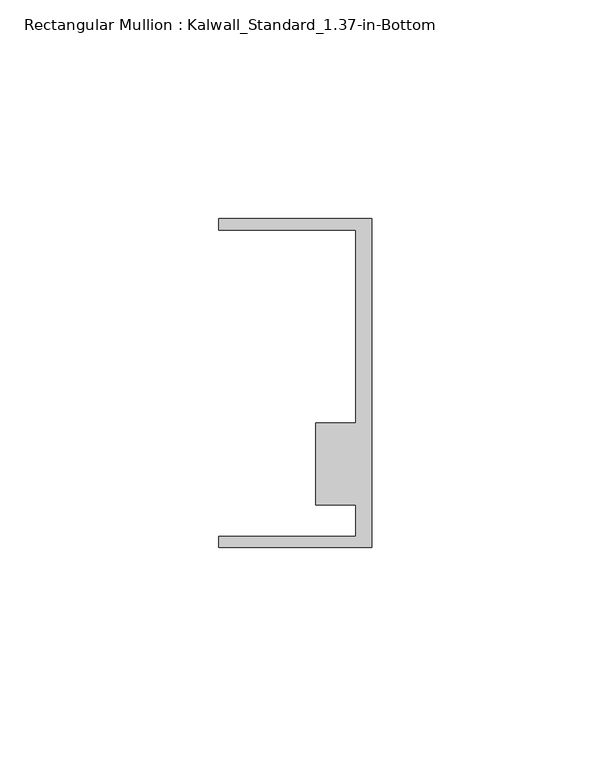
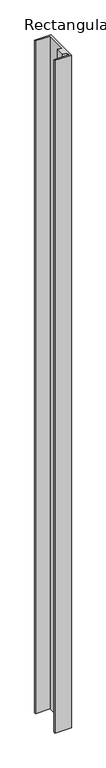
"""IFC4 building model written with IfcOpenShell, lengths in millimetres: member geometry, Rectangular Mullion : Kalwall_Standard_1.37-in-Bottom."""

from ifc_helpers import new_model, si_unit, frame, origin, place, context, project, spatial, polyline, outline, extrude, source, transform, mapped, element, save


def rectangular_mullion_kalwall_standard_1_37_in_bottom_c8055f75(model_context):
    return source(origin(), model_context, "Body", "SweptSolid", [
        extrude(outline(polyline([(0.0, -37.5776386), (-34.925, -37.5776386), (-34.925, -35.0376386), (-3.7084, -35.0376386), (-3.7084, -27.8888568), (-12.8272539, -27.8888568), (-12.8272539, -9.1879886), (-3.7084, -9.1879886), (-3.7084, 34.9623614), (-34.925, 34.9623614), (-34.925, 37.5023614), (0.0, 37.5023614), (0.0, -37.5776386)])), frame((0.0, 0.0, -1521.0068), z_axis=(0.0, 0.0, 1.0), x_axis=(1.0, 0.0, 0.0)), (0.0, 0.0, 1.0), 1521.0068),
    ])


if __name__ == "__main__":
    model = new_model("IFC4")
    model_context = context("Model", 3, world=origin())
    ifc_project = project(units=[si_unit("LENGTHUNIT", "METRE", prefix="MILLI")], contexts=[model_context])
    site = spatial("IfcSite", under=ifc_project)
    building = spatial("IfcBuilding", under=site)
    placement = place(None, origin())
    rectangular_mullion_kalwall_standard_1_37_in_bottom_shape = rectangular_mullion_kalwall_standard_1_37_in_bottom_c8055f75(model_context)
    element("IfcMember", 1, ObjectType="Rectangular Mullion : Kalwall_Standard_1.37-in-Bottom", at=placement, inside=building, context=model_context, shape_type="MappedRepresentation", body=[
        mapped(rectangular_mullion_kalwall_standard_1_37_in_bottom_shape, transform((0.0, 0.0, 0.0), x_axis=(1.0, 0.0, 0.0), y_axis=(0.0, 1.0, 0.0), z_axis=(0.0, 0.0, 1.0))),
    ])
    save(model, "model.ifc")
